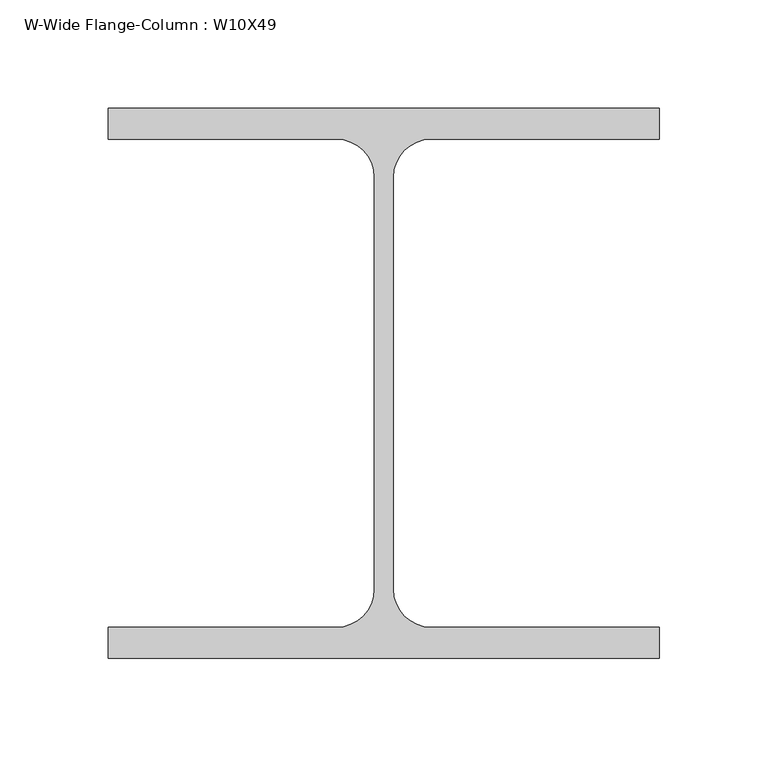
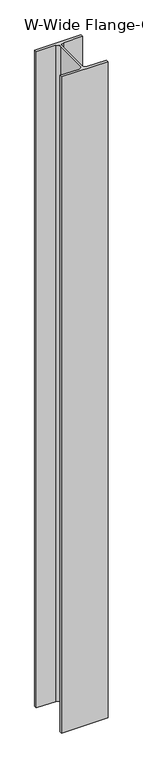
"""IFC4 building model written with IfcOpenShell, lengths in millimetres: column geometry, W-Wide Flange-Column : W10X49."""

from ifc_helpers import new_model, si_unit, point, frame, frame_2d, origin, place, context, project, spatial, polyline, circle_curve, trimmed, segment, composite_curve, outline, extrude, source, transform, mapped, element, save


def w_wide_flange_column_w10x49_6eb9290c(model_context):
    return source(origin(), model_context, "Body", "SweptSolid", [
        extrude(outline(composite_curve([segment(polyline([(127.0, 126.7519531), (127.0, 112.5636719), (21.8777344, 112.5636719)]), True, "CONTINUOUS"), segment(trimmed(circle_curve(frame_2d((21.8777344, 95.0019531)), 17.5617188), [point((21.8777344, 112.5636719))], [point((4.3160156, 95.0019531))], True, "CARTESIAN"), True, "CONTINUOUS"), segment(polyline([(4.3160156, 95.0019531), (4.3160156, -95.0019531)]), True, "CONTINUOUS"), segment(trimmed(circle_curve(frame_2d((21.8777344, -95.0019531)), 17.5617187), [point((4.3160156, -95.0019531))], [point((21.8777344, -112.5636719))], True, "CARTESIAN"), True, "CONTINUOUS"), segment(polyline([(21.8777344, -112.5636719), (127.0, -112.5636719), (127.0, -126.7519531), (-127.0, -126.7519531), (-127.0, -112.5636719), (-21.8777344, -112.5636719)]), True, "CONTINUOUS"), segment(trimmed(circle_curve(frame_2d((-21.8777344, -95.0019531)), 17.5617187), [point((-21.8777344, -112.5636719))], [point((-4.3160156, -95.0019531))], True, "CARTESIAN"), True, "CONTINUOUS"), segment(polyline([(-4.3160156, -95.0019531), (-4.3160156, 95.0019531)]), True, "CONTINUOUS"), segment(trimmed(circle_curve(frame_2d((-21.8777344, 95.0019531)), 17.5617188), [point((-4.3160156, 95.0019531))], [point((-21.8777344, 112.5636719))], True, "CARTESIAN"), True, "CONTINUOUS"), segment(polyline([(-21.8777344, 112.5636719), (-127.0, 112.5636719), (-127.0, 126.7519531), (127.0, 126.7519531)]), True, "CONTINUOUS")], self_intersect=False)), frame((0.0, 0.0, 7493.0), z_axis=(0.0, 0.0, 1.0), x_axis=(1.0, 0.0, 0.0)), (0.0, 0.0, 1.0), 3784.6),
    ])


if __name__ == "__main__":
    model = new_model("IFC4")
    model_context = context("Model", 3, world=origin())
    ifc_project = project(units=[si_unit("LENGTHUNIT", "METRE", prefix="MILLI")], contexts=[model_context])
    site = spatial("IfcSite", under=ifc_project)
    building = spatial("IfcBuilding", under=site)
    placement = place(None, origin())
    w_wide_flange_column_w10x49_shape = w_wide_flange_column_w10x49_6eb9290c(model_context)
    element("IfcColumn", 1, ObjectType="W-Wide Flange-Column : W10X49", at=placement, inside=building, context=model_context, shape_type="MappedRepresentation", body=[
        mapped(w_wide_flange_column_w10x49_shape, transform((0.0, 0.0, 0.0), x_axis=(1.0, 0.0, 0.0), y_axis=(0.0, 1.0, 0.0), z_axis=(0.0, 0.0, 1.0))),
    ])
    save(model, "model.ifc")
